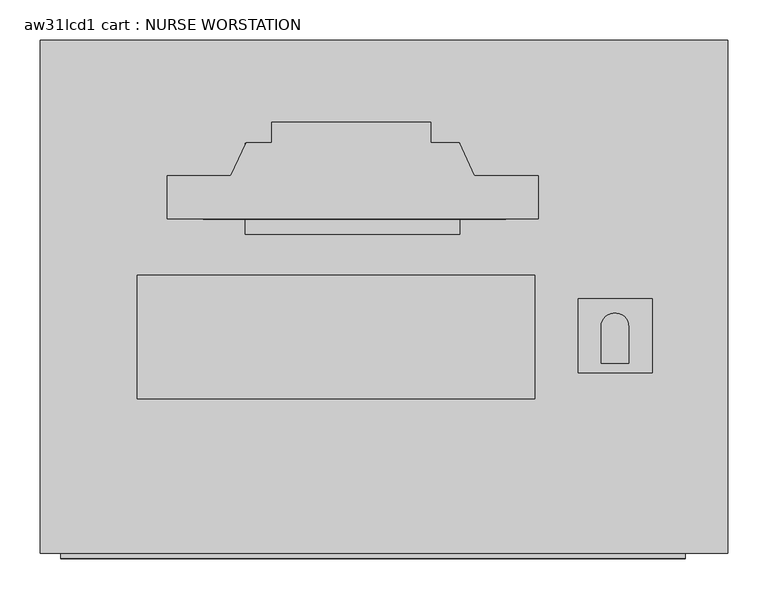
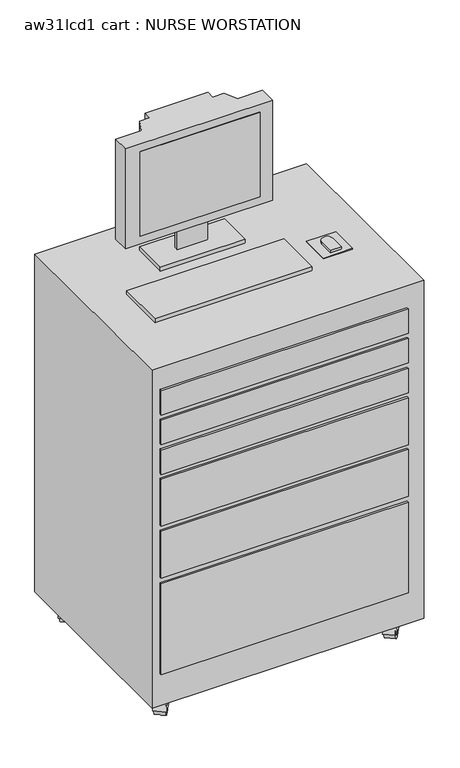
"""IFC4 building model written with IfcOpenShell, lengths in millimetres: proxy geometry, aw31lcd1 cart : NURSE WORSTATION."""

from ifc_helpers import new_model, si_unit, point, frame, frame_2d, origin, place, context, project, spatial, polyline, circle_curve, trimmed, segment, composite_curve, outline, extrude, faceted_brep, source, transform, mapped, element, save


def aw31lcd1_cart_nurse_worstation_875e6ec7(model_context):
    return source(origin(), model_context, "Body", "SolidModel", [
        extrude(outline(polyline([(11.3204069, -2.1499254), (385.9704069, -2.1499254), (385.9704069, -5.476148), (11.3204069, -5.476148), (11.3204069, -2.1499254)])), frame((0.0, 0.0, 1278.3308248), z_axis=(0.0, 0.0, 1.0), x_axis=(1.0, 0.0, 0.0)), (0.0, 0.0, 1.0), 279.4),
        extrude(outline(polyline([(11.3204069, 10.9978045), (385.9704069, 10.9978045), (385.9704069, 3.998727), (11.3204069, 3.998727), (11.3204069, 10.9978045)])), frame((0.0, 0.0, 1278.3308248), z_axis=(0.0, 0.0, 1.0), x_axis=(1.0, 0.0, 0.0)), (0.0, 0.0, 1.0), 279.4),
        extrude(outline(polyline([(566.8529791, -103.6582011), (566.8529791, -195.5987822), (475.4784271, -195.5987822), (475.4784271, -103.6582011), (566.8529791, -103.6582011)])), frame((0.0, 0.0, 1155.7), z_axis=(0.0, 0.0, 1.0), x_axis=(1.0, 0.0, 0.0)), (0.0, 0.0, 1.0), 2.9133962),
        extrude(outline(composite_curve([segment(trimmed(circle_curve(frame_2d((520.8651108, -138.5749128)), 17.0826805), [point((503.7824304, -138.5749128))], [point((537.9477913, -138.5749128))], False, "CARTESIAN"), True, "CONTINUOUS"), segment(polyline([(537.9477913, -138.5749128), (537.9477913, -183.8689655), (503.7824304, -183.8689655), (503.7824304, -138.5749128)]), True, "CONTINUOUS")], self_intersect=False)), frame((0.0, 0.0, 1158.6133962), z_axis=(0.0, 0.0, 1.0), x_axis=(1.0, 0.0, 0.0)), (0.0, 0.0, 1.0), 9.3019768),
        extrude(outline(polyline([(421.683969, -227.6226119), (-70.2947271, -227.6226119), (-70.2947271, -74.6176866), (421.683969, -74.6176866), (421.683969, -227.6226119)])), frame((0.0, 0.0, 1155.7), z_axis=(0.0, 0.0, 1.0), x_axis=(1.0, 0.0, 0.0)), (0.0, 0.0, 1.0), 12.2153731),
        extrude(outline(polyline([(328.9761644, -24.13), (63.4041467, -24.13), (63.4041467, 88.3361171), (328.9761644, 88.3361171), (328.9761644, -24.13)])), frame((0.0, 0.0, 1155.7), z_axis=(0.0, 0.0, 1.0), x_axis=(1.0, 0.0, 0.0)), (0.0, 0.0, 1.0), 12.2153731),
        extrude(outline(polyline([(240.0761644, 24.8549459), (144.8261644, 24.8549459), (144.8261644, 37.5361171), (240.0761644, 37.5361171), (240.0761644, 24.8549459)])), frame((0.0, 0.0, 1167.9153731), z_axis=(0.0, 0.0, 1.0), x_axis=(1.0, 0.0, 0.0)), (0.0, 0.0, 1.0), 83.6809533),
        extrude(outline(polyline([(-33.6750377, -5.08), (-33.6750377, 48.26), (45.4860159, 48.26), (64.4367591, 88.9), (95.8649623, 88.9), (95.8649623, 114.3), (292.7149623, 114.3), (292.7149623, 88.9), (327.9531654, 88.9), (346.9039086, 48.26), (426.0649623, 48.26), (426.0649623, -5.08), (-33.6750377, -5.08)])), frame((0.0, 0.0, 1251.5963264), z_axis=(0.0, 0.0, 1.0), x_axis=(1.0, 0.0, 0.0)), (0.0, 0.0, 1.0), 330.8236736),
        extrude(outline(composite_curve([segment(trimmed(circle_curve(frame_2d((0.0, -25.7612182)), 25.7612183), [point((0.0, -51.5224365))], [point((0.0, 0.0))], False, "CARTESIAN"), True, "CONTINUOUS"), segment(trimmed(circle_curve(frame_2d((0.0, -25.7612182)), 25.7612183), [point((0.0, 0.0))], [point((0.0, -51.5224365))], False, "CARTESIAN"), True, "CONTINUOUS")], self_intersect=False)), frame((-98.5794195, 161.7340806, -13.9262817), z_axis=(-0.7771459614569454, 0.6293203910498689, 0.0), x_axis=(0.0, 0.0, 1.0)), (0.0, 0.0, 1.0), 31.75),
        extrude(outline(composite_curve([segment(polyline([(-57.1058785, 0.0), (-0.6783151, 0.0)]), True, "CONTINUOUS"), segment(trimmed(circle_curve(frame_2d((-28.8920967, 0.0)), 28.2137817), [point((-0.6783151, 0.0))], [point((-57.1058785, 0.0))], False, "CARTESIAN"), True, "CONTINUOUS")], self_intersect=False)), frame((-94.1416554, 162.1691379, -13.9262817), z_axis=(-0.7771459614569454, 0.6293203910498689, 0.0), x_axis=(0.6293203910498689, 0.7771459614569454, 0.0)), (0.0, 0.0, 1.0), 38.1),
        extrude(outline(composite_curve([segment(trimmed(circle_curve(frame_2d((-127.1280789, 151.7038351)), 3.5091751), [point((-129.8552201, 153.9122305))], [point((-124.4009376, 149.4954397))], False, "CARTESIAN"), True, "CONTINUOUS"), segment(trimmed(circle_curve(frame_2d((-127.1280789, 151.7038351)), 3.5091751), [point((-124.4009376, 149.4954397))], [point((-129.8552201, 153.9122305))], False, "CARTESIAN"), True, "CONTINUOUS")], self_intersect=False)), frame((0.0, 0.0, 14.2875), z_axis=(0.0, 0.0, 1.0), x_axis=(1.0, 0.0, 0.0)), (0.0, 0.0, 1.0), 13.49375),
        extrude(outline(composite_curve([segment(trimmed(circle_curve(frame_2d((0.0, -25.7612182)), 25.7612183), [point((0.0, -51.5224365))], [point((0.0, 0.0))], False, "CARTESIAN"), True, "CONTINUOUS"), segment(trimmed(circle_curve(frame_2d((0.0, -25.7612182)), 25.7612183), [point((0.0, 0.0))], [point((0.0, -51.5224365))], False, "CARTESIAN"), True, "CONTINUOUS")], self_intersect=False)), frame((-96.651196, -345.2878507, -13.9262817), z_axis=(-0.7771459614569454, 0.6293203910498689, 0.0), x_axis=(0.0, 0.0, 1.0)), (0.0, 0.0, 1.0), 31.75),
        extrude(outline(composite_curve([segment(polyline([(-57.1058784, 0.0), (-0.6783149, 0.0)]), True, "CONTINUOUS"), segment(trimmed(circle_curve(frame_2d((-28.8920967, 0.0)), 28.2137817), [point((-0.6783149, 0.0))], [point((-57.1058784, 0.0))], False, "CARTESIAN"), True, "CONTINUOUS")], self_intersect=False)), frame((-92.2134319, -344.8527934, -13.9262817), z_axis=(-0.7771459614569454, 0.6293203910498689, 0.0), x_axis=(0.6293203910498689, 0.7771459614569454, 0.0)), (0.0, 0.0, 1.0), 38.1),
        extrude(outline(composite_curve([segment(trimmed(circle_curve(frame_2d((-125.1998553, -355.3180962)), 3.5091751), [point((-127.9269966, -353.1097007))], [point((-122.4727141, -357.5264916))], False, "CARTESIAN"), True, "CONTINUOUS"), segment(trimmed(circle_curve(frame_2d((-125.1998553, -355.3180962)), 3.5091751), [point((-122.4727141, -357.5264916))], [point((-127.9269966, -353.1097007))], False, "CARTESIAN"), True, "CONTINUOUS")], self_intersect=False)), frame((0.0, 0.0, 14.2875), z_axis=(0.0, 0.0, 1.0), x_axis=(1.0, 0.0, 0.0)), (0.0, 0.0, 1.0), 13.49375),
        extrude(outline(composite_curve([segment(trimmed(circle_curve(frame_2d((0.0, -25.7612183)), 25.7612183), [point((0.0, -51.5224365))], [point((0.0, 0.0))], False, "CARTESIAN"), True, "CONTINUOUS"), segment(trimmed(circle_curve(frame_2d((0.0, -25.7612183)), 25.7612183), [point((0.0, 0.0))], [point((0.0, -51.5224365))], False, "CARTESIAN"), True, "CONTINUOUS")], self_intersect=False)), frame((626.43263, 162.799051, -13.9262817), z_axis=(-0.7771459614569454, 0.6293203910498689, 0.0), x_axis=(0.0, 0.0, 1.0)), (0.0, 0.0, 1.0), 31.75),
        extrude(outline(composite_curve([segment(polyline([(-57.1058785, 0.0), (-0.678315, 0.0)]), True, "CONTINUOUS"), segment(trimmed(circle_curve(frame_2d((-28.8920967, 0.0)), 28.2137817), [point((-0.678315, 0.0))], [point((-57.1058785, 0.0))], False, "CARTESIAN"), True, "CONTINUOUS")], self_intersect=False)), frame((630.8703941, 163.2341083, -13.9262817), z_axis=(-0.7771459614569455, 0.6293203910498689, 0.0), x_axis=(0.6293203910498689, 0.7771459614569455, 0.0)), (0.0, 0.0, 1.0), 38.1),
        extrude(outline(composite_curve([segment(trimmed(circle_curve(frame_2d((597.8839706, 152.7688055)), 3.5091751), [point((595.1568293, 154.977201))], [point((600.6111119, 150.5604101))], False, "CARTESIAN"), True, "CONTINUOUS"), segment(trimmed(circle_curve(frame_2d((597.8839706, 152.7688055)), 3.5091751), [point((600.6111119, 150.5604101))], [point((595.1568293, 154.977201))], False, "CARTESIAN"), True, "CONTINUOUS")], self_intersect=False)), frame((0.0, 0.0, 14.2875), z_axis=(0.0, 0.0, 1.0), x_axis=(1.0, 0.0, 0.0)), (0.0, 0.0, 1.0), 13.49375),
        extrude(outline(composite_curve([segment(trimmed(circle_curve(frame_2d((0.0, -25.7612183)), 25.7612183), [point((0.0, -51.5224365))], [point((0.0, 0.0))], False, "CARTESIAN"), True, "CONTINUOUS"), segment(trimmed(circle_curve(frame_2d((0.0, -25.7612183)), 25.7612183), [point((0.0, 0.0))], [point((0.0, -51.5224365))], False, "CARTESIAN"), True, "CONTINUOUS")], self_intersect=False)), frame((626.43263, 162.799051, -13.9262817), z_axis=(-0.7771459614569454, 0.6293203910498689, 0.0), x_axis=(0.0, 0.0, 1.0)), (0.0, 0.0, 1.0), 31.75),
        extrude(outline(composite_curve([segment(polyline([(-57.1058785, 0.0), (-0.678315, 0.0)]), True, "CONTINUOUS"), segment(trimmed(circle_curve(frame_2d((-28.8920967, 0.0)), 28.2137817), [point((-0.678315, 0.0))], [point((-57.1058785, 0.0))], False, "CARTESIAN"), True, "CONTINUOUS")], self_intersect=False)), frame((630.8703941, 163.2341083, -13.9262817), z_axis=(-0.7771459614569455, 0.6293203910498689, 0.0), x_axis=(0.6293203910498689, 0.7771459614569455, 0.0)), (0.0, 0.0, 1.0), 38.1),
        extrude(outline(composite_curve([segment(trimmed(circle_curve(frame_2d((597.8839706, 152.7688055)), 3.5091751), [point((595.1568293, 154.977201))], [point((600.6111119, 150.5604101))], False, "CARTESIAN"), True, "CONTINUOUS"), segment(trimmed(circle_curve(frame_2d((597.8839706, 152.7688055)), 3.5091751), [point((600.6111119, 150.5604101))], [point((595.1568293, 154.977201))], False, "CARTESIAN"), True, "CONTINUOUS")], self_intersect=False)), frame((0.0, 0.0, 14.2875), z_axis=(0.0, 0.0, 1.0), x_axis=(1.0, 0.0, 0.0)), (0.0, 0.0, 1.0), 13.49375),
        extrude(outline(composite_curve([segment(trimmed(circle_curve(frame_2d((0.0, -25.7612183)), 25.7612183), [point((0.0, -51.5224365))], [point((0.0, 0.0))], False, "CARTESIAN"), True, "CONTINUOUS"), segment(trimmed(circle_curve(frame_2d((0.0, -25.7612183)), 25.7612183), [point((0.0, 0.0))], [point((0.0, -51.5224365))], False, "CARTESIAN"), True, "CONTINUOUS")], self_intersect=False)), frame((624.84513, -343.613449, -13.9262817), z_axis=(-0.7771459614569454, 0.6293203910498689, 0.0), x_axis=(0.0, 0.0, 1.0)), (0.0, 0.0, 1.0), 31.75),
        extrude(outline(composite_curve([segment(polyline([(-57.1058785, 0.0), (-0.678315, 0.0)]), True, "CONTINUOUS"), segment(trimmed(circle_curve(frame_2d((-28.8920967, 0.0)), 28.2137817), [point((-0.678315, 0.0))], [point((-57.1058785, 0.0))], False, "CARTESIAN"), True, "CONTINUOUS")], self_intersect=False)), frame((629.2828941, -343.1783917, -13.9262817), z_axis=(-0.7771459614569454, 0.6293203910498689, 0.0), x_axis=(0.6293203910498689, 0.7771459614569454, 0.0)), (0.0, 0.0, 1.0), 38.1),
        extrude(outline(composite_curve([segment(trimmed(circle_curve(frame_2d((596.2964706, -353.6436945)), 3.5091751), [point((593.5693293, -351.435299))], [point((599.0236119, -355.8520899))], False, "CARTESIAN"), True, "CONTINUOUS"), segment(trimmed(circle_curve(frame_2d((596.2964706, -353.6436945)), 3.5091751), [point((599.0236119, -355.8520899))], [point((593.5693293, -351.435299))], False, "CARTESIAN"), True, "CONTINUOUS")], self_intersect=False)), frame((0.0, 0.0, 14.2875), z_axis=(0.0, 0.0, 1.0), x_axis=(1.0, 0.0, 0.0)), (0.0, 0.0, 1.0), 13.49375),
        extrude(outline(polyline([(-165.1, -419.1), (608.0784825, -419.1), (608.0784825, -425.45), (-165.1, -425.45), (-165.1, -419.1)])), frame((0.0, 0.0, 463.55), z_axis=(0.0, 0.0, 1.0), x_axis=(1.0, 0.0, 0.0)), (0.0, 0.0, 1.0), 155.3345142),
        extrude(outline(polyline([(-165.1, -419.1), (608.0784825, -419.1), (608.0784825, -425.45), (-165.1, -425.45), (-165.1, -419.1)])), frame((0.0, 0.0, 806.45), z_axis=(0.0, 0.0, 1.0), x_axis=(1.0, 0.0, 0.0)), (0.0, 0.0, 1.0), 80.8645528),
        extrude(outline(polyline([(-165.1, -419.1), (608.0784825, -419.1), (608.0784825, -425.45), (-165.1, -425.45), (-165.1, -419.1)])), frame((0.0, 0.0, 904.875), z_axis=(0.0, 0.0, 1.0), x_axis=(1.0, 0.0, 0.0)), (0.0, 0.0, 1.0), 80.8645528),
        extrude(outline(polyline([(-165.1, -419.1), (608.0784825, -419.1), (608.0784825, -425.45), (-165.1, -425.45), (-165.1, -419.1)])), frame((0.0, 0.0, 1003.3), z_axis=(0.0, 0.0, 1.0), x_axis=(1.0, 0.0, 0.0)), (0.0, 0.0, 1.0), 80.8645528),
        extrude(outline(polyline([(-165.1, -419.1), (608.0784825, -419.1), (608.0784825, -425.45), (-165.1, -425.45), (-165.1, -419.1)])), frame((0.0, 0.0, 635.0), z_axis=(0.0, 0.0, 1.0), x_axis=(1.0, 0.0, 0.0)), (0.0, 0.0, 1.0), 155.3345142),
        extrude(outline(polyline([(608.0784825, -425.45), (-165.1, -425.45), (-165.1, -419.1), (608.0784825, -419.1), (608.0784825, -425.45)])), frame((0.0, 0.0, 144.62025), z_axis=(0.0, 0.0, 1.0), x_axis=(1.0, 0.0, 0.0)), (0.0, 0.0, 1.0), 299.87975),
        faceted_brep([(584.2, -368.3, 38.1), (609.6, -368.3, 38.1), (609.6, -342.9, 38.1), (584.2, -342.9, 38.1), (590.55, -361.95, 25.4), (590.55, -349.25, 25.4), (603.25, -349.25, 25.4), (603.25, -361.95, 25.4)], [[[0, 1, 2, 3]], [[4, 5, 6, 7]], [[4, 7, 1, 0]], [[7, 6, 2, 1]], [[6, 5, 3, 2]], [[5, 4, 0, 3]]]),
        faceted_brep([(-114.3, -368.3, 38.1), (-114.3, -342.9, 38.1), (-139.7, -342.9, 38.1), (-139.7, -368.3, 38.1), (-120.65, -361.95, 25.4), (-133.35, -361.95, 25.4), (-133.35, -349.25, 25.4), (-120.65, -349.25, 25.4)], [[[0, 1, 2, 3]], [[4, 5, 6, 7]], [[4, 7, 1, 0]], [[7, 6, 2, 1]], [[6, 5, 3, 2]], [[5, 4, 0, 3]]]),
        faceted_brep([(584.2, 165.1, 38.1), (584.2, 139.7, 38.1), (609.6, 139.7, 38.1), (609.6, 165.1, 38.1), (590.55, 158.75, 25.4), (603.25, 158.75, 25.4), (603.25, 146.05, 25.4), (590.55, 146.05, 25.4)], [[[0, 1, 2, 3]], [[4, 5, 6, 7]], [[4, 7, 1, 0]], [[7, 6, 2, 1]], [[6, 5, 3, 2]], [[5, 4, 0, 3]]]),
        faceted_brep([(-114.3, 165.1, 38.1), (-139.7, 165.1, 38.1), (-139.7, 139.7, 38.1), (-114.3, 139.7, 38.1), (-120.65, 158.75, 25.4), (-120.65, 146.05, 25.4), (-133.35, 146.05, 25.4), (-133.35, 158.75, 25.4)], [[[0, 1, 2, 3]], [[4, 5, 6, 7]], [[4, 7, 1, 0]], [[7, 6, 2, 1]], [[6, 5, 3, 2]], [[5, 4, 0, 3]]]),
        extrude(outline(polyline([(660.4, -419.1), (-190.5, -419.1), (-190.5, 215.9), (660.4, 215.9), (660.4, -419.1)])), frame((0.0, 0.0, 38.1), z_axis=(0.0, 0.0, 1.0), x_axis=(1.0, 0.0, 0.0)), (0.0, 0.0, 1.0), 1117.6),
    ])


if __name__ == "__main__":
    model = new_model("IFC4")
    model_context = context("Model", 3, world=origin())
    ifc_project = project(units=[si_unit("LENGTHUNIT", "METRE", prefix="MILLI")], contexts=[model_context])
    site = spatial("IfcSite", under=ifc_project)
    building = spatial("IfcBuilding", under=site)
    placement = place(None, origin())
    aw31lcd1_cart_nurse_worstation_shape = aw31lcd1_cart_nurse_worstation_875e6ec7(model_context)
    element("IfcBuildingElementProxy", 1, Name="aw31lcd1 cart : NURSE WORSTATION", ObjectType="aw31lcd1 cart : NURSE WORSTATION", at=placement, inside=building, context=model_context, shape_type="MappedRepresentation", body=[
        mapped(aw31lcd1_cart_nurse_worstation_shape, transform((0.0, 0.0, 0.0), x_axis=(1.0, 0.0, 0.0), y_axis=(0.0, 1.0, 0.0), z_axis=(0.0, 0.0, 1.0))),
    ])
    save(model, "model.ifc")
